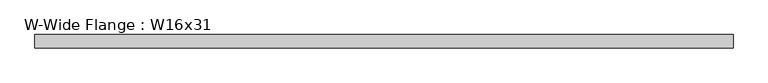
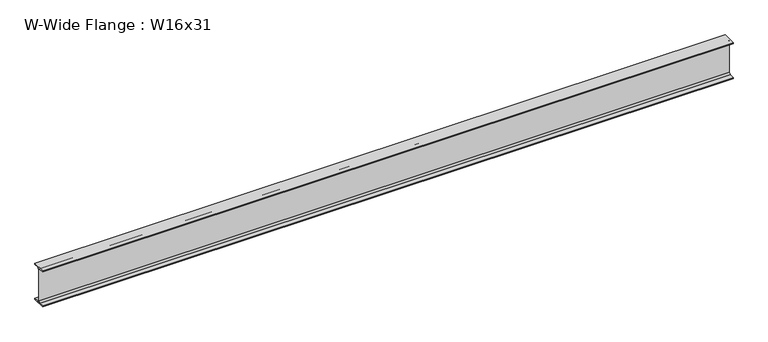
"""IFC4 building model written with IfcOpenShell, lengths in millimetres: beam geometry, W-Wide Flange : W16x31."""

from ifc_helpers import new_model, si_unit, point, frame, frame_2d, origin, place, context, project, spatial, polyline, circle_curve, trimmed, segment, composite_curve, outline, extrude, source, transform, mapped, element, save


def w_wide_flange_w16x31_31175774(model_context):
    return source(origin(), model_context, "Body", "SweptSolid", [
        extrude(outline(composite_curve([segment(polyline([(70.231, -190.754), (70.231, -201.93), (-70.231, -201.93), (-70.231, -190.754), (-20.8915, -190.754)]), True, "CONTINUOUS"), segment(trimmed(circle_curve(frame_2d((-20.8915, -173.355)), 17.399), [point((-20.8915, -190.754))], [point((-3.4925, -173.355))], True, "CARTESIAN"), True, "CONTINUOUS"), segment(polyline([(-3.4925, -173.355), (-3.4925, 173.355)]), True, "CONTINUOUS"), segment(trimmed(circle_curve(frame_2d((-20.8915, 173.355)), 17.399), [point((-3.4925, 173.355))], [point((-20.8915, 190.754))], True, "CARTESIAN"), True, "CONTINUOUS"), segment(polyline([(-20.8915, 190.754), (-70.231, 190.754), (-70.231, 201.93), (70.231, 201.93), (70.231, 190.754), (20.8915, 190.754)]), True, "CONTINUOUS"), segment(trimmed(circle_curve(frame_2d((20.8915, 173.355)), 17.399), [point((20.8915, 190.754))], [point((3.4925, 173.355))], True, "CARTESIAN"), True, "CONTINUOUS"), segment(polyline([(3.4925, 173.355), (3.4925, -173.355)]), True, "CONTINUOUS"), segment(trimmed(circle_curve(frame_2d((20.8915, -173.355)), 17.399), [point((3.4925, -173.355))], [point((20.8915, -190.754))], True, "CARTESIAN"), True, "CONTINUOUS"), segment(polyline([(20.8915, -190.754), (70.231, -190.754)]), True, "CONTINUOUS")], self_intersect=False)), frame((-3670.3093023, 0.0, 0.0), z_axis=(1.0, 0.0, 0.0), x_axis=(0.0, 1.0, 0.0)), (0.0, 0.0, 1.0), 7313.9486045),
    ])


if __name__ == "__main__":
    model = new_model("IFC4")
    model_context = context("Model", 3, world=origin())
    ifc_project = project(units=[si_unit("LENGTHUNIT", "METRE", prefix="MILLI")], contexts=[model_context])
    site = spatial("IfcSite", under=ifc_project)
    building = spatial("IfcBuilding", under=site)
    placement = place(None, origin())
    w_wide_flange_w16x31_shape = w_wide_flange_w16x31_31175774(model_context)
    element("IfcBeam", 1, ObjectType="W-Wide Flange : W16x31", at=placement, inside=building, context=model_context, shape_type="MappedRepresentation", body=[
        mapped(w_wide_flange_w16x31_shape, transform((0.0, 0.0, 0.0), x_axis=(1.0, 0.0, 0.0), y_axis=(0.0, 1.0, 0.0), z_axis=(0.0, 0.0, 1.0))),
    ])
    save(model, "model.ifc")
